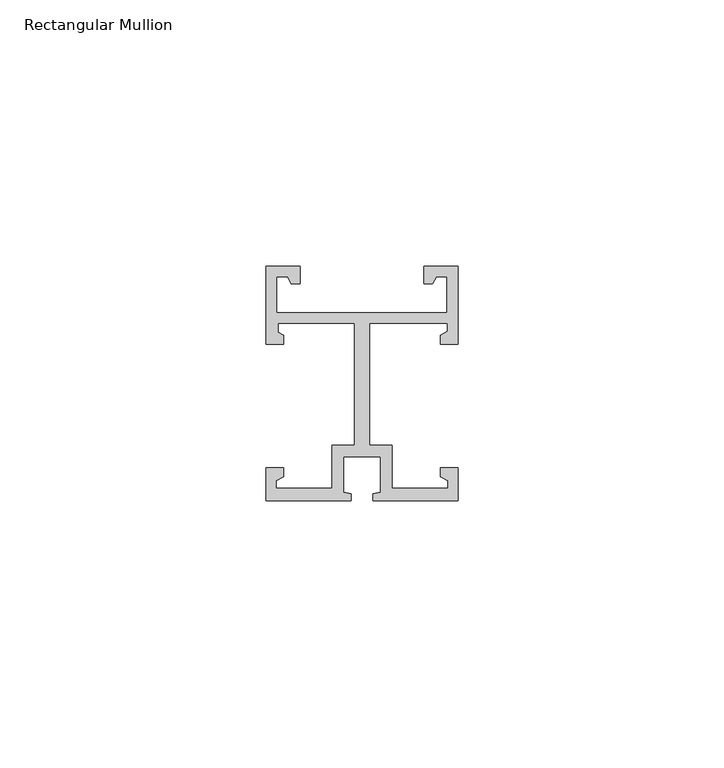
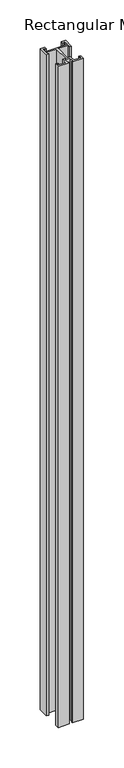
"""IFC4 building model written with IfcOpenShell, lengths in millimetres: member geometry, Rectangular Mullion."""

from ifc_helpers import new_model, si_unit, frame, origin, place, context, project, spatial, polyline, outline, extrude, source, transform, mapped, element, save


def rectangular_mullion_556e67d9(model_context):
    return source(origin(), model_context, "Body", "SweptSolid", [
        extrude(outline(polyline([(-36.0, -6.2e-05), (-36.0, 6.199938), (-32.75, 6.199938), (-32.75, 4.5216258), (-34.1378615, 3.7203436), (-34.1378615, 2.299938), (-23.6, 2.299938), (-23.6, 10.3825137), (-19.4, 10.3825137), (-19.4, 33.299938), (-33.75, 33.299938), (-33.75, 31.6556004), (-32.75, 31.0782502), (-32.75, 29.399938), (-36.0, 29.399938), (-36.0, 44.0), (-29.6, 44.0), (-29.6, 40.75), (-31.2783122, 40.75), (-32.0, 42.0), (-34.0, 42.0), (-34.0, 35.3), (-2.0, 35.3), (-2.0, 42.0), (-4.0, 42.0), (-4.7216878, 40.75), (-6.4, 40.75), (-6.4, 44.0), (0.0, 44.0), (0.0, 29.399938), (-3.25, 29.399938), (-3.25, 31.0782502), (-1.9157719, 31.8485671), (-1.9157719, 33.299938), (-16.6, 33.299938), (-16.6, 10.3825137), (-12.4, 10.3825137), (-12.4, 2.299938), (-1.8621385, 2.299938), (-1.8621385, 3.7203436), (-3.25, 4.5216258), (-3.25, 6.199938), (0.0, 6.199938), (0.0, -6.2e-05), (-15.95, -6.2e-05), (-15.95, 1.299938), (-14.5, 1.6052011), (-14.5, 8.299938), (-21.5, 8.299938), (-21.5, 1.6052011), (-20.05, 1.299938), (-20.05, -6.2e-05), (-36.0, -6.2e-05)])), frame((0.0, 0.0, -1000.0), z_axis=(0.0, 0.0, 1.0), x_axis=(1.0, 0.0, 0.0)), (0.0, 0.0, 1.0), 1000.0),
    ])


if __name__ == "__main__":
    model = new_model("IFC4")
    model_context = context("Model", 3, world=origin())
    ifc_project = project(units=[si_unit("LENGTHUNIT", "METRE", prefix="MILLI")], contexts=[model_context])
    site = spatial("IfcSite", under=ifc_project)
    building = spatial("IfcBuilding", under=site)
    placement = place(None, origin())
    rectangular_mullion_shape = rectangular_mullion_556e67d9(model_context)
    element("IfcMember", 1, ObjectType="Rectangular Mullion", at=placement, inside=building, context=model_context, shape_type="MappedRepresentation", body=[
        mapped(rectangular_mullion_shape, transform((0.0, 0.0, 0.0), x_axis=(1.0, 0.0, 0.0), y_axis=(0.0, 1.0, 0.0), z_axis=(0.0, 0.0, 1.0))),
    ])
    save(model, "model.ifc")
